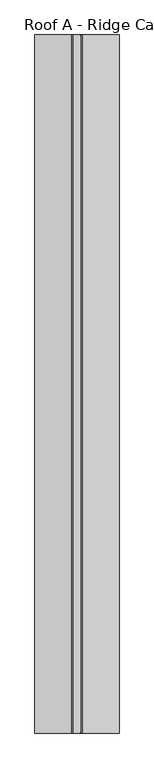
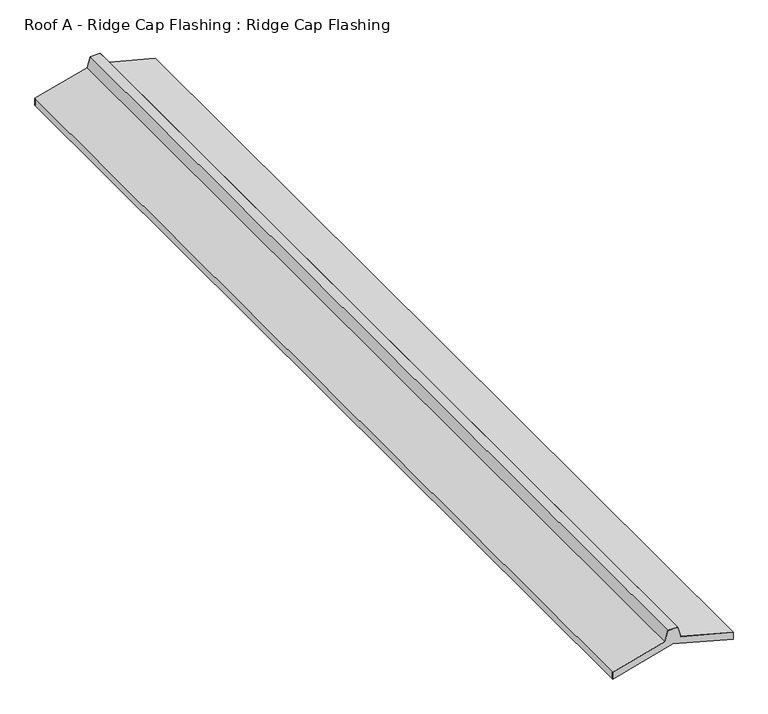
"""IFC4 building model written with IfcOpenShell, lengths in millimetres: proxy geometry, Roof A - Ridge Cap Flashing : Ridge Cap Flashing."""

from ifc_helpers import new_model, si_unit, frame, origin, place, context, project, spatial, polyline, outline, extrude, source, transform, mapped, element, save


def roof_a_ridge_cap_flashing_ridge_cap_flashing_df3618bc(model_context):
    return source(origin(), model_context, "Body", "SweptSolid", [
        extrude(outline(polyline([(6198.9102496, 3175.4070919), (6161.043288, 3175.4070919), (6248.0176956, 3500.0), (6161.043288, 3824.5929081), (6198.9102496, 3824.5929081), (6274.4116755, 3542.8177506), (6333.0461554, 3527.106689), (6333.0461554, 3472.893311), (6274.4116755, 3457.1822494), (6198.9102496, 3175.4070919)])), frame((0.0, 5216.3954809, 0.0), z_axis=(0.0, 1.0, 0.0), x_axis=(0.0, 0.0, 1.0)), (0.0, 0.0, 1.0), 1.2850781),
        extrude(outline(polyline([(6198.9102496, 3175.4070919), (6161.043288, 3175.4070919), (6248.0176956, 3500.0), (6161.043288, 3824.5929081), (6198.9102496, 3824.5929081), (6274.4116755, 3542.8177506), (6333.0461554, 3527.106689), (6333.0461554, 3472.893311), (6274.4116755, 3457.1822494), (6198.9102496, 3175.4070919)])), frame((0.0, -170.0, 0.0), z_axis=(0.0, 1.0, 0.0), x_axis=(0.0, 0.0, 1.0)), (0.0, 0.0, 1.0), 2.0),
        extrude(outline(polyline([(6334.0461554, 3527.874016), (6334.0461554, 3472.125984), (6275.2281721, 3456.3657529), (6199.9455258, 3175.4070919), (6161.043288, 3175.4070919), (6161.043288, 3176.4070919), (6199.1781988, 3176.4070919), (6274.4116755, 3457.1822494), (6333.0461554, 3472.893311), (6333.0461554, 3527.106689), (6274.4116755, 3542.8177506), (6199.1781988, 3823.5929081), (6161.043288, 3823.5929081), (6161.043288, 3824.5929081), (6199.9455258, 3824.5929081), (6275.2281721, 3543.6342471), (6334.0461554, 3527.874016)])), frame((0.0, -170.0, 0.0), z_axis=(0.0, 1.0, 0.0), x_axis=(0.0, 0.0, 1.0)), (0.0, 0.0, 1.0), 5387.6805591),
    ])


if __name__ == "__main__":
    model = new_model("IFC4")
    model_context = context("Model", 3, world=origin())
    ifc_project = project(units=[si_unit("LENGTHUNIT", "METRE", prefix="MILLI")], contexts=[model_context])
    site = spatial("IfcSite", under=ifc_project)
    building = spatial("IfcBuilding", under=site)
    placement = place(None, origin())
    roof_a_ridge_cap_flashing_ridge_cap_flashing_shape = roof_a_ridge_cap_flashing_ridge_cap_flashing_df3618bc(model_context)
    element("IfcBuildingElementProxy", 1, Name="Roof A - Ridge Cap Flashing : Ridge Cap Flashing", ObjectType="Roof A - Ridge Cap Flashing : Ridge Cap Flashing", at=placement, inside=building, context=model_context, shape_type="MappedRepresentation", body=[
        mapped(roof_a_ridge_cap_flashing_ridge_cap_flashing_shape, transform((0.0, 0.0, 0.0), x_axis=(1.0, 0.0, 0.0), y_axis=(0.0, 1.0, 0.0), z_axis=(0.0, 0.0, 1.0))),
    ])
    save(model, "model.ifc")
